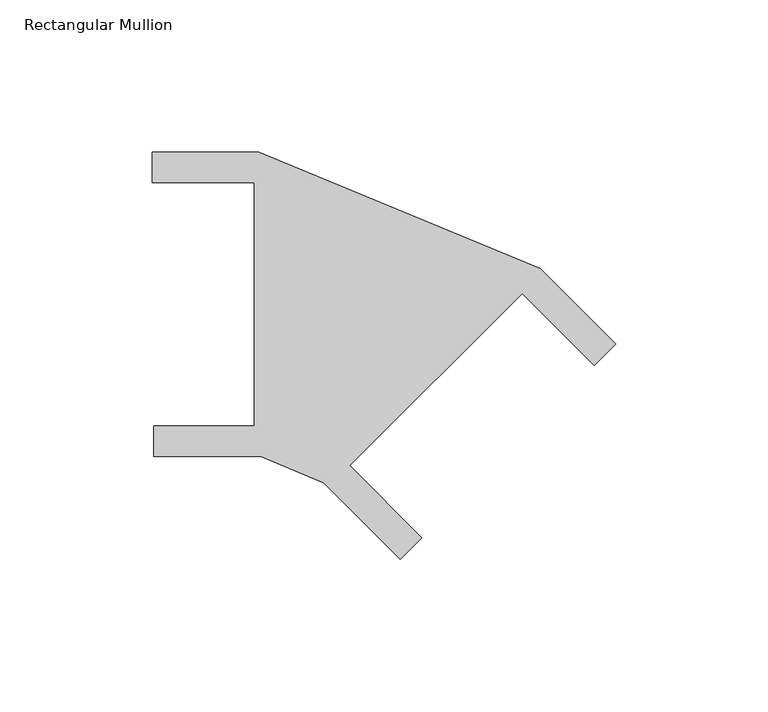
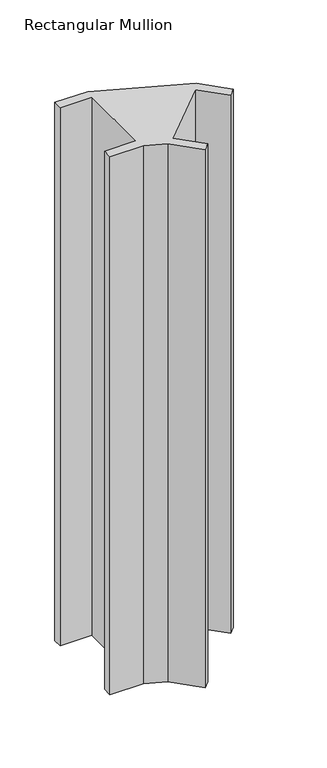
"""IFC4 building model written with IfcOpenShell, lengths in millimetres: member geometry, Rectangular Mullion."""

from ifc_helpers import new_model, si_unit, frame, origin, place, context, project, spatial, polyline, outline, extrude, source, transform, mapped, element, save


def rectangular_mullion_208bc616(model_context):
    return source(origin(), model_context, "Body", "SweptSolid", [
        extrude(outline(polyline([(-151.604987, -50.0), (-151.604987, -40.0), (-118.604987, -40.0), (-118.604987, 40.0), (-152.1366906, 40.0), (-152.1366906, 50.0), (-117.1366906, 50.0), (-24.7487373, 11.7316568), (0.0, -13.0170806), (-7.0710678, -20.0881484), (-30.759145, 3.5999288), (-87.3276875, -52.9686137), (-63.6396103, -76.6566909), (-70.7106781, -83.7277587), (-95.8353867, -58.6030501), (-116.604987, -50.0), (-151.604987, -50.0)])), frame((0.0, 0.0, -600.0), z_axis=(0.0, 0.0, 1.0), x_axis=(1.0, 0.0, 0.0)), (0.0, 0.0, 1.0), 600.0),
    ])


if __name__ == "__main__":
    model = new_model("IFC4")
    model_context = context("Model", 3, world=origin())
    ifc_project = project(units=[si_unit("LENGTHUNIT", "METRE", prefix="MILLI")], contexts=[model_context])
    site = spatial("IfcSite", under=ifc_project)
    building = spatial("IfcBuilding", under=site)
    placement = place(None, origin())
    rectangular_mullion_shape = rectangular_mullion_208bc616(model_context)
    element("IfcMember", 1, ObjectType="Rectangular Mullion", at=placement, inside=building, context=model_context, shape_type="MappedRepresentation", body=[
        mapped(rectangular_mullion_shape, transform((0.0, 0.0, 0.0), x_axis=(1.0, 0.0, 0.0), y_axis=(0.0, 1.0, 0.0), z_axis=(0.0, 0.0, 1.0))),
    ])
    save(model, "model.ifc")
